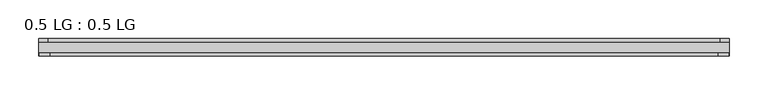
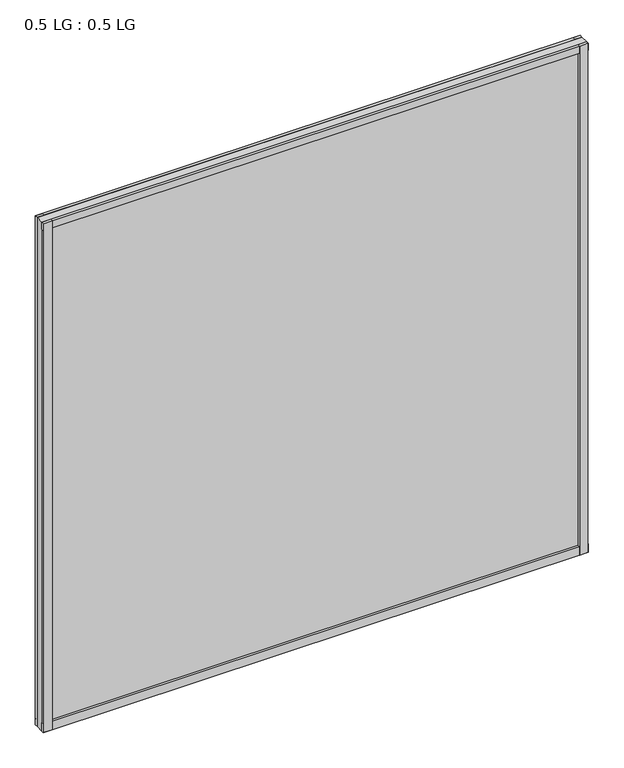
"""IFC4 building model written with IfcOpenShell, lengths in millimetres: plate geometry, 0.5 LG : 0.5 LG."""

import ifcopenshell
import ifcopenshell.guid

model = None  # the IFC model being written
_history = None  # IfcOwnerHistory: only IFC2X3 demands one
_inside = {}  # id of a spatial element -> (the spatial element, [elements in it])
_under = {}  # id of a project, library or spatial element -> (it, [spatial elements below it])
_declared = {}  # id of a project -> (the project, [libraries it declares])
_typed = {}  # id of a type object -> (the type object, [elements of that type])
_made_of = {}  # id of a material, layer set ... -> (it, [elements and type objects made of it])


def new_model(schema):
    """Start an empty IFC model of exactly this schema.

    Asked for "IFC4X3", IfcOpenShell would pick the latest addendum, in which some entities
    have other attributes; the version numbers below select the first issue.
    IFC2X3 requires an IfcOwnerHistory on every rooted entity: one is made here for all.
    """
    global model, _history
    if schema == "IFC4X3":
        model = ifcopenshell.file(schema_version=(4, 3, 0, 0))
    else:
        model = ifcopenshell.file(schema=schema)
    _inside.clear()
    _under.clear()
    _declared.clear()
    _typed.clear()
    _made_of.clear()
    _history = None
    if model.schema == "IFC2X3":
        org = make("IfcOrganization", Name="unknown")
        user = make(
            "IfcPersonAndOrganization",
            ThePerson=make("IfcPerson", FamilyName="unknown"),
            TheOrganization=org,
        )
        app = make(
            "IfcApplication",
            ApplicationDeveloper=org,
            Version="unknown",
            ApplicationFullName="unknown",
            ApplicationIdentifier="unknown",
        )
        _history = make(
            "IfcOwnerHistory",
            OwningUser=user,
            OwningApplication=app,
            ChangeAction="ADDED",
            CreationDate=0,
        )
    return model


def make(cls, **values):
    """One entity of the class cls with the attributes given. An attribute that is None is left unset."""
    return model.create_entity(
        cls, **{name: value for name, value in values.items() if value is not None}
    )


def rooted(cls, **values):
    """An entity with a GlobalId (a new one), such as an element, a storey or a relation."""
    return make(cls, GlobalId=ifcopenshell.guid.new(), OwnerHistory=_history, **values)


def si_unit(unit_type, name, prefix=None):
    """IfcSIUnit, for example si_unit("LENGTHUNIT", "METRE", prefix="MILLI")."""
    return make("IfcSIUnit", UnitType=unit_type, Prefix=prefix, Name=name)


def assignment(units):
    """IfcUnitAssignment: the units of a project."""
    return None if units is None else make("IfcUnitAssignment", Units=units)


def point(xyz):
    """IfcCartesianPoint."""
    return None if xyz is None else make("IfcCartesianPoint", Coordinates=xyz)


def direction(xyz):
    """IfcDirection."""
    return None if xyz is None else make("IfcDirection", DirectionRatios=xyz)


def frame(location, z_axis=None, x_axis=None):
    """IfcAxis2Placement3D, a coordinate frame: its origin and axes. An axis left out is left unset."""
    return make(
        "IfcAxis2Placement3D",
        Location=point(location),
        Axis=direction(z_axis),
        RefDirection=direction(x_axis),
    )


def origin():
    """The frame at (0, 0, 0) with its axes left unset."""
    return frame((0.0, 0.0, 0.0))


def origin_with_axes():
    """The frame at (0, 0, 0) with the z axis (0, 0, 1) and the x axis (1, 0, 0) written out."""
    return frame((0.0, 0.0, 0.0), z_axis=(0.0, 0.0, 1.0), x_axis=(1.0, 0.0, 0.0))


def place(relative_to, where):
    """IfcLocalPlacement: puts the frame where relative to a parent placement (None: the world)."""
    return make(
        "IfcLocalPlacement", PlacementRelTo=relative_to, RelativePlacement=where
    )


def context(
    kind, dimensions, precision=None, world=None, true_north=None, identifier=None
):
    """IfcGeometricRepresentationContext, for example the 3D "Model" context."""
    return make(
        "IfcGeometricRepresentationContext",
        ContextIdentifier=identifier,
        ContextType=kind,
        CoordinateSpaceDimension=dimensions,
        Precision=precision,
        WorldCoordinateSystem=world,
        TrueNorth=true_north,
    )


def project(units=None, contexts=None):
    """IfcProject with its units and contexts."""
    return rooted(
        "IfcProject",
        Name="project",
        RepresentationContexts=contexts,
        UnitsInContext=assignment(units),
    )


def spatial(cls, under=None, at=None, **own):
    """A site, building, storey or space (cls), placed at a placement, below another one or the project."""
    s = rooted(cls, ObjectPlacement=at, **own)
    if under is not None:
        _under.setdefault(under.id(), (under, []))[1].append(s)
    return s


def polyline(points):
    """IfcPolyline through the points."""
    return make("IfcPolyline", Points=[point(p) for p in points])


def outline(outer, holes=None, kind="AREA"):
    """IfcArbitraryClosedProfileDef: a profile drawn as a closed curve; with holes, ...WithVoids."""
    if holes is None:
        return make("IfcArbitraryClosedProfileDef", ProfileType=kind, OuterCurve=outer)
    return make(
        "IfcArbitraryProfileDefWithVoids",
        ProfileType=kind,
        OuterCurve=outer,
        InnerCurves=holes,
    )


def extrude(swept, where, along, depth):
    """IfcExtrudedAreaSolid: the profile swept, set in the frame where, extruded along a direction by depth."""
    return make(
        "IfcExtrudedAreaSolid",
        SweptArea=swept,
        Position=where,
        ExtrudedDirection=direction(along),
        Depth=depth,
    )


def shape(context_of_items, identifier, shape_type, items):
    """IfcShapeRepresentation: the items that make up one representation, for example the "Body"."""
    return make(
        "IfcShapeRepresentation",
        ContextOfItems=context_of_items,
        RepresentationIdentifier=identifier,
        RepresentationType=shape_type,
        Items=items,
    )


def source(mapping_origin, context_of_items, identifier, shape_type, items):
    """IfcRepresentationMap: a shape defined once, which mapped items show again and again."""
    return make(
        "IfcRepresentationMap",
        MappingOrigin=mapping_origin,
        MappedRepresentation=shape(context_of_items, identifier, shape_type, items),
    )


def transform(
    local_origin,
    x_axis=None,
    y_axis=None,
    z_axis=None,
    scale=None,
    scale2=None,
    scale3=None,
    uniform=True,
):
    """IfcCartesianTransformationOperator3D, or its non-uniform kind. x_axis, y_axis, z_axis: its Axis1, 2, 3."""
    if uniform:
        return make(
            "IfcCartesianTransformationOperator3D",
            Axis1=direction(x_axis),
            Axis2=direction(y_axis),
            LocalOrigin=point(local_origin),
            Scale=scale,
            Axis3=direction(z_axis),
        )
    return make(
        "IfcCartesianTransformationOperator3DnonUniform",
        Axis1=direction(x_axis),
        Axis2=direction(y_axis),
        LocalOrigin=point(local_origin),
        Scale=scale,
        Axis3=direction(z_axis),
        Scale2=scale2,
        Scale3=scale3,
    )


def mapped(mapping_source, mapping_target):
    """IfcMappedItem: shows the shape of a source again, moved by a transform."""
    return make(
        "IfcMappedItem", MappingSource=mapping_source, MappingTarget=mapping_target
    )


def made_of(thing, what):
    """Note that an element or type object is made of a material, layer set ...; save() writes the relation."""
    if what is not None:
        _made_of.setdefault(what.id(), (what, []))[1].append(thing)
    return thing


def element(
    cls,
    number,
    at=None,
    inside=None,
    cuts=None,
    type_object=None,
    material=None,
    context=None,
    identifier="Body",
    shape_type=None,
    held_by="IfcProductDefinitionShape",
    body=None,
    shapes=None,
    **own,
):
    """One element of the class cls, such as IfcWall. Its Tag is "e" and its number.

    at: its placement. inside: the storey or other place that contains it. cuts: it is an
    opening in that element (IfcRelVoidsElement). A single representation is given by context,
    identifier, shape_type and body (its items); several are given by shapes. held_by: the class
    of the entity that holds the representations. save() writes the other relations.
    """
    e = rooted(cls, Tag="e%d" % number, ObjectPlacement=at, **own)
    if body is not None:
        shapes = [shape(context, identifier, shape_type, body)]
    if shapes is not None:
        e.Representation = make(held_by, Representations=shapes)
    if inside is not None:
        _inside.setdefault(inside.id(), (inside, []))[1].append(e)
    if cuts is not None:
        rooted(
            "IfcRelVoidsElement", RelatingBuildingElement=cuts, RelatedOpeningElement=e
        )
    if type_object is not None:
        _typed.setdefault(type_object.id(), (type_object, []))[1].append(e)
    return made_of(e, material)


def aggregate(whole, parts):
    """IfcRelAggregates: a whole, such as a stair, and the parts it consists of."""
    return rooted("IfcRelAggregates", RelatingObject=whole, RelatedObjects=parts)


def save(model, path):
    """Write the relations noted so far, then the file.

    IfcRelAggregates (storeys below a building ...), IfcRelContainedInSpatialStructure (elements
    in a storey), IfcRelDefinesByType, IfcRelAssociatesMaterial and IfcRelDeclares: one each for
    every whole, place, type object, material and project.
    """
    for whole, parts in _under.values():
        aggregate(whole, parts)
    for where, things in _inside.values():
        rooted(
            "IfcRelContainedInSpatialStructure",
            RelatedElements=things,
            RelatingStructure=where,
        )
    for kind, things in _typed.values():
        rooted("IfcRelDefinesByType", RelatedObjects=things, RelatingType=kind)
    for what, things in _made_of.values():
        rooted("IfcRelAssociatesMaterial", RelatedObjects=things, RelatingMaterial=what)
    for by, libraries in _declared.values():
        rooted("IfcRelDeclares", RelatingContext=by, RelatedDefinitions=libraries)
    model.write(path)


def plate_0_5_lg_0_5_lg_478f502b(model_context):
    return source(origin(), model_context, "Body", "SweptSolid", [
        extrude(outline(polyline([(444.5, -4.6736), (433.0474034, -4.6736), (433.0474034, 0.0), (444.5, 0.0), (444.5, -4.6736)])), origin_with_axes(), (0.0, 0.0, 1.0), 877.651362),
        extrude(outline(polyline([(430.2806761, -18.288), (443.6843966, -18.288), (443.6843966, -22.479), (430.2806761, -22.479), (430.2806761, -18.288)])), origin_with_axes(), (0.0, 0.0, 1.0), 877.651362),
        extrude(outline(polyline([(-432.9821913, 0.0), (-432.9821913, -4.6736), (-444.5, -4.6736), (-444.5, 0.0), (-432.9821913, 0.0)])), origin_with_axes(), (0.0, 0.0, 1.0), 877.651362),
        extrude(outline(polyline([(-430.2909512, -18.288), (-430.2909512, -22.479), (-443.6843966, -22.479), (-443.6843966, -18.288), (-430.2909512, -18.288)])), origin_with_axes(), (0.0, 0.0, 1.0), 877.651362),
        extrude(outline(polyline([(444.5, 0.0), (444.5, -4.6736), (-444.5, -4.6736), (-444.5, 0.0), (444.5, 0.0)])), origin_with_axes(), (0.0, 0.0, 1.0), 11.444324),
        extrude(outline(polyline([(444.5, -18.288), (444.5, -22.479), (-444.5, -22.479), (-444.5, -18.288), (444.5, -18.288)])), origin_with_axes(), (0.0, 0.0, 1.0), 14.1703966),
        extrude(outline(polyline([(444.5, 0.0), (444.5, -4.6736), (-444.5, -4.6736), (-444.5, 0.0), (444.5, 0.0)])), frame((0.0, 0.0, 865.9862594), z_axis=(0.0, 0.0, 1.0), x_axis=(1.0, 0.0, 0.0)), (0.0, 0.0, 1.0), 11.6651026),
        extrude(outline(polyline([(444.5, -18.288), (444.5, -22.479), (-444.5, -22.479), (-444.5, -18.288), (444.5, -18.288)])), frame((0.0, 0.0, 865.9862594), z_axis=(0.0, 0.0, 1.0), x_axis=(1.0, 0.0, 0.0)), (0.0, 0.0, 1.0), 11.6651026),
        extrude(outline(polyline([(444.5, -4.6736), (444.5, -18.288), (-444.5, -18.288), (-444.5, -4.6736), (444.5, -4.6736)])), origin_with_axes(), (0.0, 0.0, 1.0), 877.651362),
    ])


if __name__ == "__main__":
    model = new_model("IFC4")
    model_context = context("Model", 3, world=origin())
    ifc_project = project(units=[si_unit("LENGTHUNIT", "METRE", prefix="MILLI")], contexts=[model_context])
    site = spatial("IfcSite", under=ifc_project)
    building = spatial("IfcBuilding", under=site)
    placement = place(None, origin())
    plate_0_5_lg_0_5_lg_shape = plate_0_5_lg_0_5_lg_478f502b(model_context)
    element("IfcPlate", 1, ObjectType="0.5 LG : 0.5 LG", at=placement, inside=building, context=model_context, shape_type="MappedRepresentation", body=[
        mapped(plate_0_5_lg_0_5_lg_shape, transform((0.0, 0.0, 0.0), x_axis=(1.0, 0.0, 0.0), y_axis=(0.0, 1.0, 0.0), z_axis=(0.0, 0.0, 1.0))),
    ])
    save(model, "model.ifc")
